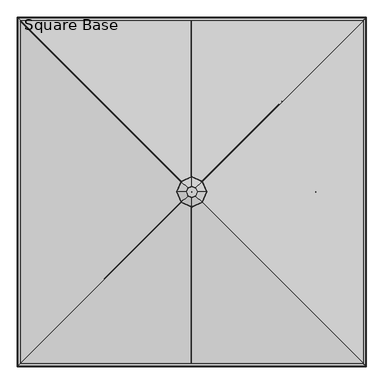
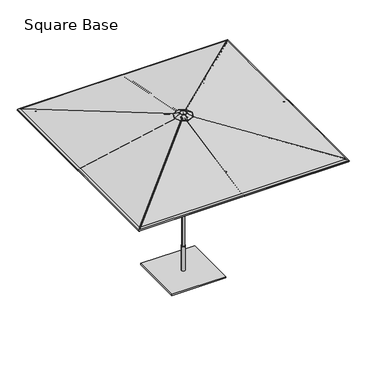
"""IFC4 building model written with IfcOpenShell, lengths in millimetres: furniture geometry, Square Base."""

from ifc_helpers import new_model, si_unit, point, frame, frame_2d, origin, origin_with_axes, place, context, project, spatial, polyline, circle_curve, ellipse_curve, trimmed, segment, composite_curve, outline, extrude, source, transform, mapped, element, save
from ifc_brep_helpers import plane_surface, cylinder_surface, revolved_surface, advanced_brep


def square_base_793ace13(model_context):
    return source(origin(), model_context, "Body", "SolidModel", [
        extrude(outline(composite_curve([segment(polyline([(12.9834408, -8.4804821), (12.9834408, -22.8946348)]), True, "CONTINUOUS"), segment(trimmed(circle_curve(frame_2d((4.0299408, -22.8946348)), 8.9535), [point((12.9834408, -22.8946348))], [point((-4.9235592, -22.8946348))], False, "CARTESIAN"), True, "CONTINUOUS"), segment(polyline([(-4.9235592, -22.8946348), (-4.9235592, -8.4804821)]), True, "CONTINUOUS"), segment(trimmed(circle_curve(frame_2d((4.0299408, -8.4804821)), 8.9535), [point((-4.9235592, -8.4804821))], [point((12.9834408, -8.4804821))], False, "CARTESIAN"), True, "CONTINUOUS")], self_intersect=False)), frame((4.0299408, -60.6243606, 2209.0717014), z_axis=(0.0, -0.968204069710927, 0.25016170649241765), x_axis=(-1.0, 0.0, 0.0)), (0.0, 0.0, 1.0), 1257.3),
        extrude(outline(composite_curve([segment(polyline([(12.9834408, -8.4804821), (12.9834408, -22.8946348)]), True, "CONTINUOUS"), segment(trimmed(circle_curve(frame_2d((4.0299408, -22.8946348)), 8.9535), [point((12.9834408, -22.8946348))], [point((-4.9235592, -22.8946348))], False, "CARTESIAN"), True, "CONTINUOUS"), segment(polyline([(-4.9235592, -22.8946348), (-4.9235592, -8.4804821)]), True, "CONTINUOUS"), segment(trimmed(circle_curve(frame_2d((4.0299408, -8.4804821)), 8.9535), [point((-4.9235592, -8.4804821))], [point((12.9834408, -8.4804821))], False, "CARTESIAN"), True, "CONTINUOUS")], self_intersect=False)), frame((-56.5944198, -8.0598816, 2209.0717014), z_axis=(-0.968204069710927, 0.0, 0.25016170649241765), x_axis=(0.0, 1.0, 0.0)), (0.0, 0.0, 1.0), 1257.3),
        extrude(outline(composite_curve([segment(polyline([(12.9834408, -8.4804821), (12.9834408, -22.8946348)]), True, "CONTINUOUS"), segment(trimmed(circle_curve(frame_2d((4.0299408, -22.8946348)), 8.9535), [point((12.9834408, -22.8946348))], [point((-4.9235592, -22.8946348))], False, "CARTESIAN"), True, "CONTINUOUS"), segment(polyline([(-4.9235592, -22.8946348), (-4.9235592, -8.4804821)]), True, "CONTINUOUS"), segment(trimmed(circle_curve(frame_2d((4.0299408, -8.4804821)), 8.9535), [point((-4.9235592, -8.4804821))], [point((12.9834408, -8.4804821))], False, "CARTESIAN"), True, "CONTINUOUS")], self_intersect=False)), frame((-4.0299408, 52.564479, 2209.0717014), z_axis=(0.0, 0.968204069710927, 0.25016170649241765), x_axis=(1.0, 0.0, 0.0)), (0.0, 0.0, 1.0), 1257.3),
        extrude(outline(composite_curve([segment(trimmed(circle_curve(frame_2d((4.0299408, 7.3267917)), 8.9535), [point((12.9834408, 7.3267917))], [point((-4.9235592, 7.3267917))], False, "CARTESIAN"), True, "CONTINUOUS"), segment(polyline([(-4.9235592, 7.3267917), (-4.9235592, 21.7411303)]), True, "CONTINUOUS"), segment(trimmed(circle_curve(frame_2d((4.0299408, 21.7411303)), 8.9535), [point((-4.9235592, 21.7411303))], [point((12.9834408, 21.7411303))], False, "CARTESIAN"), True, "CONTINUOUS"), segment(polyline([(12.9834408, 21.7411303), (12.9834408, 7.3267917)]), True, "CONTINUOUS")], self_intersect=False)), frame((4.0299408, -1742.7095287, 2428.4090401), z_axis=(0.0, 0.9801650338144994, 0.19818301261062068), x_axis=(-1.0, 0.0, 0.0)), (0.0, 0.0, 1.0), 1722.8259277),
        extrude(outline(composite_curve([segment(trimmed(circle_curve(frame_2d((4.0299408, 7.3267917)), 8.9535), [point((12.9834408, 7.3267917))], [point((-4.9235592, 7.3267917))], False, "CARTESIAN"), True, "CONTINUOUS"), segment(polyline([(-4.9235592, 7.3267917), (-4.9235592, 21.7411303)]), True, "CONTINUOUS"), segment(trimmed(circle_curve(frame_2d((4.0299408, 21.7411303)), 8.9535), [point((-4.9235592, 21.7411303))], [point((12.9834408, 21.7411303))], False, "CARTESIAN"), True, "CONTINUOUS"), segment(polyline([(12.9834408, 21.7411303), (12.9834408, 7.3267917)]), True, "CONTINUOUS")], self_intersect=False)), frame((-1738.6795879, -8.0598816, 2428.4090401), z_axis=(0.9801650338144994, 0.0, 0.19818301261062068), x_axis=(0.0, 1.0, 0.0)), (0.0, 0.0, 1.0), 1722.8259277),
        extrude(outline(composite_curve([segment(trimmed(circle_curve(frame_2d((4.0299408, 7.3267917)), 8.9535), [point((12.9834408, 7.3267917))], [point((-4.9235592, 7.3267917))], False, "CARTESIAN"), True, "CONTINUOUS"), segment(polyline([(-4.9235592, 7.3267917), (-4.9235592, 21.7411303)]), True, "CONTINUOUS"), segment(trimmed(circle_curve(frame_2d((4.0299408, 21.7411303)), 8.9535), [point((-4.9235592, 21.7411303))], [point((12.9834408, 21.7411303))], False, "CARTESIAN"), True, "CONTINUOUS"), segment(polyline([(12.9834408, 21.7411303), (12.9834408, 7.3267917)]), True, "CONTINUOUS")], self_intersect=False)), frame((-4.0299408, 1734.6496471, 2428.4090401), z_axis=(0.0, -0.9801650338144994, 0.19818301261062068), x_axis=(1.0, 0.0, 0.0)), (0.0, 0.0, 1.0), 1722.8259277),
        extrude(outline(composite_curve([segment(trimmed(circle_curve(frame_2d((4.0299408, 7.3267917)), 8.9535), [point((12.9834408, 7.3267917))], [point((-4.9235592, 7.3267917))], False, "CARTESIAN"), True, "CONTINUOUS"), segment(polyline([(-4.9235592, 7.3267917), (-4.9235592, 21.7411303)]), True, "CONTINUOUS"), segment(trimmed(circle_curve(frame_2d((4.0299408, 21.7411303)), 8.9535), [point((-4.9235592, 21.7411303))], [point((12.9834408, 21.7411303))], False, "CARTESIAN"), True, "CONTINUOUS"), segment(polyline([(12.9834408, 21.7411303), (12.9834408, 7.3267917)]), True, "CONTINUOUS")], self_intersect=False)), frame((1738.6795879, 0.0, 2428.4090401), z_axis=(-0.9801650338144994, 0.0, 0.19818301261062068), x_axis=(0.0, -1.0, 0.0)), (0.0, 0.0, 1.0), 1722.8259277),
        extrude(outline(composite_curve([segment(polyline([(12.9834408, -8.4804821), (12.9834408, -22.8946348)]), True, "CONTINUOUS"), segment(trimmed(circle_curve(frame_2d((4.0299408, -22.8946348)), 8.9535), [point((12.9834408, -22.8946348))], [point((-4.9235592, -22.8946348))], False, "CARTESIAN"), True, "CONTINUOUS"), segment(polyline([(-4.9235592, -22.8946348), (-4.9235592, -8.4804821)]), True, "CONTINUOUS"), segment(trimmed(circle_curve(frame_2d((4.0299408, -8.4804821)), 8.9535), [point((-4.9235592, -8.4804821))], [point((12.9834408, -8.4804821))], False, "CARTESIAN"), True, "CONTINUOUS")], self_intersect=False)), frame((56.5944198, 0.0, 2209.0717014), z_axis=(0.968204069710927, 0.0, 0.25016170649241765), x_axis=(0.0, -1.0, 0.0)), (0.0, 0.0, 1.0), 1257.3),
        extrude(outline(composite_curve([segment(trimmed(circle_curve(frame_2d((-0.4115858, 9.2017125)), 8.947892), [point((8.536306, 9.1998745))], [point((-9.3594776, 9.2035503))], False, "CARTESIAN"), True, "CONTINUOUS"), segment(polyline([(-9.3594776, 9.2035503), (-9.3566134, 23.146125)]), True, "CONTINUOUS"), segment(trimmed(circle_curve(frame_2d((-0.4087216, 23.146125)), 8.9478918), [point((-9.3566134, 23.146125))], [point((8.5391702, 23.1457573))], False, "CARTESIAN"), True, "CONTINUOUS"), segment(polyline([(8.5391702, 23.1457573), (8.536306, 9.1998745)]), True, "CONTINUOUS")], self_intersect=False)), frame((41.5244845, -45.5691916, 2208.4981899), z_axis=(0.6763612459995549, -0.6766017644142349, 0.2911108333632977), x_axis=(0.7072324735233075, 0.7069810665032722, 0.0)), (0.0, 0.0, 1.0), 1309.7575992),
        extrude(outline(composite_curve([segment(trimmed(circle_curve(frame_2d((-0.4115858, 9.2017125)), 8.947892), [point((8.536306, 9.1998747))], [point((-9.3594776, 9.2035505))], False, "CARTESIAN"), True, "CONTINUOUS"), segment(polyline([(-9.3594776, 9.2035505), (-9.356613, 23.146125)]), True, "CONTINUOUS"), segment(trimmed(circle_curve(frame_2d((-0.4087215, 23.146125)), 8.9478915), [point((-9.356613, 23.146125))], [point((8.5391699, 23.1457574))], False, "CARTESIAN"), True, "CONTINUOUS"), segment(polyline([(8.5391699, 23.1457574), (8.536306, 9.1998747)]), True, "CONTINUOUS")], self_intersect=False)), frame((-41.5392509, -45.5544253, 2208.4981899), z_axis=(-0.676601764414243, -0.6763612459995471, 0.2911108333632977), x_axis=(0.7069810665032639, -0.7072324735233159, 0.0)), (0.0, 0.0, 1.0), 1309.7575992),
        extrude(outline(composite_curve([segment(trimmed(circle_curve(frame_2d((-0.4115857, 9.2017125)), 8.947892), [point((8.536306, 9.1998747))], [point((-9.3594776, 9.2035505))], False, "CARTESIAN"), True, "CONTINUOUS"), segment(polyline([(-9.3594776, 9.2035505), (-9.356613, 23.146125)]), True, "CONTINUOUS"), segment(trimmed(circle_curve(frame_2d((-0.4087216, 23.146125)), 8.9478915), [point((-9.356613, 23.146125))], [point((8.5391699, 23.1457573))], False, "CARTESIAN"), True, "CONTINUOUS"), segment(polyline([(8.5391699, 23.1457573), (8.536306, 9.1998747)]), True, "CONTINUOUS")], self_intersect=False)), frame((-41.5244845, 37.5093101, 2208.4981899), z_axis=(-0.6763612459995527, 0.6766017644142374, 0.29111083336329774), x_axis=(-0.70723247352331, -0.7069810665032698, 0.0)), (0.0, 0.0, 1.0), 1309.7575992),
        extrude(outline(composite_curve([segment(trimmed(circle_curve(frame_2d((-0.4115857, 9.2017125)), 8.947892), [point((8.536306, 9.1998747))], [point((-9.3594776, 9.2035505))], False, "CARTESIAN"), True, "CONTINUOUS"), segment(polyline([(-9.3594776, 9.2035505), (-9.356613, 23.146125)]), True, "CONTINUOUS"), segment(trimmed(circle_curve(frame_2d((-0.4087215, 23.146125)), 8.9478915), [point((-9.356613, 23.146125))], [point((8.5391699, 23.1457573))], False, "CARTESIAN"), True, "CONTINUOUS"), segment(polyline([(8.5391699, 23.1457573), (8.536306, 9.1998747)]), True, "CONTINUOUS")], self_intersect=False)), frame((41.5392509, 37.4945437, 2208.4981899), z_axis=(0.6766017644142318, 0.676361245999558, 0.2911108333632976), x_axis=(-0.7069810665032754, 0.7072324735233043, 0.0)), (0.0, 0.0, 1.0), 1309.7575992),
        extrude(outline(composite_curve([segment(trimmed(circle_curve(frame_2d((0.0454336, -8.9661607)), 8.9535016), [point((-8.9080678, -8.9644052))], [point((8.9989351, -8.9679162))], False, "CARTESIAN"), True, "CONTINUOUS"), segment(polyline([(8.9989351, -8.9679162), (8.9961217, -23.3170803)]), True, "CONTINUOUS"), segment(trimmed(circle_curve(frame_2d((0.0426202, -23.3153248)), 8.9535016), [point((8.9961217, -23.3170803))], [point((-8.9108812, -23.3135694))], False, "CARTESIAN"), True, "CONTINUOUS"), segment(polyline([(-8.9108812, -23.3135694), (-8.9080678, -8.9644052)]), True, "CONTINUOUS")], self_intersect=False)), frame((1743.1904793, -1747.603189, 2425.0035693), z_axis=(-0.700059246017185, 0.7000592460172453, 0.14083360441178988), x_axis=(0.707106781186578, 0.7071067811865172, 0.0)), (0.0, 0.0, 1.0), 2439.7329293),
        extrude(outline(composite_curve([segment(trimmed(circle_curve(frame_2d((0.0454336, -8.9661607)), 8.9535016), [point((-8.9080678, -8.9644052))], [point((8.9989351, -8.9679162))], False, "CARTESIAN"), True, "CONTINUOUS"), segment(polyline([(8.9989351, -8.9679162), (8.9961217, -23.3170803)]), True, "CONTINUOUS"), segment(trimmed(circle_curve(frame_2d((0.0426202, -23.3153248)), 8.9535016), [point((8.9961217, -23.3170803))], [point((-8.9108812, -23.3135694))], False, "CARTESIAN"), True, "CONTINUOUS"), segment(polyline([(-8.9108812, -23.3135694), (-8.9080678, -8.9644052)]), True, "CONTINUOUS")], self_intersect=False)), frame((-1743.5732482, -1747.2204201, 2425.0035693), z_axis=(0.7000592460172536, 0.700059246017177, 0.1408336044117898), x_axis=(0.7071067811865089, -0.7071067811865863, 0.0)), (0.0, 0.0, 1.0), 2439.7329293),
        extrude(outline(composite_curve([segment(trimmed(circle_curve(frame_2d((0.0454336, -8.9661607)), 8.9535016), [point((-8.9080679, -8.9644052))], [point((8.9989351, -8.9679162))], False, "CARTESIAN"), True, "CONTINUOUS"), segment(polyline([(8.9989351, -8.9679162), (8.9961217, -23.3170803)]), True, "CONTINUOUS"), segment(trimmed(circle_curve(frame_2d((0.0426202, -23.3153248)), 8.9535016), [point((8.9961217, -23.3170803))], [point((-8.9108812, -23.3135694))], False, "CARTESIAN"), True, "CONTINUOUS"), segment(polyline([(-8.9108812, -23.3135694), (-8.9080679, -8.9644052)]), True, "CONTINUOUS")], self_intersect=False)), frame((-1743.1904793, 1739.5433074, 2425.0035693), z_axis=(0.7000592460171826, -0.7000592460172478, 0.1408336044117898), x_axis=(-0.7071067811865804, -0.7071067811865146, 0.0)), (0.0, 0.0, 1.0), 2439.7329293),
        extrude(outline(composite_curve([segment(trimmed(circle_curve(frame_2d((0.0454336, -8.9661607)), 8.9535016), [point((-8.9080678, -8.9644052))], [point((8.9989351, -8.9679162))], False, "CARTESIAN"), True, "CONTINUOUS"), segment(polyline([(8.9989351, -8.9679162), (8.9961217, -23.3170803)]), True, "CONTINUOUS"), segment(trimmed(circle_curve(frame_2d((0.0426202, -23.3153248)), 8.9535016), [point((8.9961217, -23.3170803))], [point((-8.9108812, -23.3135694))], False, "CARTESIAN"), True, "CONTINUOUS"), segment(polyline([(-8.9108812, -23.3135694), (-8.9080678, -8.9644052)]), True, "CONTINUOUS")], self_intersect=False)), frame((1743.5732482, 1739.1605385, 2425.0035693), z_axis=(-0.7000592460172421, -0.7000592460171882, 0.14083360441178977), x_axis=(-0.7071067811865203, 0.7071067811865748, 0.0)), (0.0, 0.0, 1.0), 2439.7329293),
        advanced_brep(
        [(-40.359119, -4.0299408, 2769.6161201), (40.359119, -4.0299408, 2769.6161201), (40.359119, -4.0299408, 2232.7130663), (-40.359119, -4.0299408, 2232.7130663), (0.0, -4.0299408, 2769.6161201), (0.0, -4.0299408, 2232.7130663)],
        [
            (0, 1, circle_curve(frame((0.0, -4.0299408, 2769.6161201), z_axis=(0.0, 0.0, -1.0), x_axis=(1.0, 0.0, 0.0)), 40.359119)),
            (1, 2),
            (2, 3, circle_curve(frame((0.0, -4.0299408, 2232.7130663), z_axis=(0.0, 0.0, 1.0), x_axis=(1.0, 0.0, 0.0)), 40.359119)),
            (3, 0),
            (1, 0, circle_curve(frame((0.0, -4.0299408, 2769.6161201), z_axis=(0.0, 0.0, -1.0), x_axis=(1.0, 0.0, 0.0)), 40.359119)),
            (3, 2, circle_curve(frame((0.0, -4.0299408, 2232.7130663), z_axis=(0.0, 0.0, 1.0), x_axis=(1.0, 0.0, 0.0)), 40.359119)),
            (4, 1),
            (0, 4),
            (2, 5),
            (5, 3),
        ],
        [
            cylinder_surface(frame((0.0, -4.0299408, 2607.6909748), z_axis=(0.0, 0.0, 1.0), x_axis=(1.0, 0.0, 0.0)), 40.359119),
            plane_surface(frame((0.0, -4.0299408, 2769.6161201), z_axis=(0.0, 0.0, 1.0), x_axis=(1.0, 0.0, 0.0))),
            plane_surface(frame((0.0, -4.0299408, 2232.7130663), z_axis=(0.0, 0.0, -1.0), x_axis=(1.0, 0.0, 0.0))),
        ],
        [
            (0, [[1, 2, 3, 4]]),
            (0, [[5, -4, 6, -2]]),
            (1, [[7, -1, 8]]),
            (1, [[-8, -5, -7]]),
            (2, [[-3, 9, 10]]),
            (2, [[-6, -10, -9]]),
        ],
    ),
        advanced_brep(
        [(-58.7349315, -4.0299408, 2208.4981899), (58.7349315, -4.0299408, 2208.4981899), (51.3054317, -4.0299408, 2190.75), (-51.3054317, -4.0299408, 2190.75), (-58.7349315, -4.0299408, 2233.8982384), (58.7349315, -4.0299408, 2233.8982384), (0.0, -4.0299408, 2233.8982384), (-50.392282, -4.0299408, 2063.7500484), (50.392282, -4.0299408, 2063.7500484), (0.0, -4.0299408, 2063.7500484), (-58.2510683, -4.0299408, 2070.0999516), (58.2510683, -4.0299408, 2070.0999516), (-44.8554107, -4.0299408, 2190.75), (44.8554107, -4.0299408, 2190.75)],
        [
            (0, 1, circle_curve(frame((0.0, -4.0299408, 2208.4981899), z_axis=(0.0, 0.0, -1.0), x_axis=(1.0, 0.0, 0.0)), 58.7349315)),
            (1, 2, circle_curve(frame((43.6558497, -4.0299408, 2204.3812731), z_axis=(0.0, 1.0, 0.0), x_axis=(1.0, 0.0, 0.0)), 15.6309856)),
            (2, 3, circle_curve(frame((0.0, -4.0299408, 2190.75), z_axis=(0.0, 0.0, 1.0), x_axis=(1.0, 0.0, 0.0)), 51.3054317)),
            (3, 0, circle_curve(frame((-43.6558497, -4.0299408, 2204.3812731), z_axis=(0.0, 1.0, 0.0), x_axis=(-1.0, 0.0, 0.0)), 15.6309856)),
            (1, 0, circle_curve(frame((0.0, -4.0299408, 2208.4981899), z_axis=(0.0, 0.0, -1.0), x_axis=(1.0, 0.0, 0.0)), 58.7349315)),
            (3, 2, circle_curve(frame((0.0, -4.0299408, 2190.75), z_axis=(0.0, 0.0, 1.0), x_axis=(1.0, 0.0, 0.0)), 51.3054317)),
            (4, 5, circle_curve(frame((0.0, -4.0299408, 2233.8982384), z_axis=(0.0, 0.0, -1.0), x_axis=(1.0, 0.0, 0.0)), 58.7349315)),
            (5, 1, circle_curve(frame((52.8666055, -4.0299408, 2221.1982141), z_axis=(0.0, 1.0, 0.0), x_axis=(1.0, 0.0, 0.0)), 13.9902775)),
            (0, 4, circle_curve(frame((-52.8666055, -4.0299408, 2221.1982141), z_axis=(0.0, 1.0, 0.0), x_axis=(-1.0, 0.0, 0.0)), 13.9902775)),
            (5, 4, circle_curve(frame((0.0, -4.0299408, 2233.8982384), z_axis=(0.0, 0.0, -1.0), x_axis=(1.0, 0.0, 0.0)), 58.7349315)),
            (6, 5),
            (4, 6),
            (7, 8, circle_curve(frame((0.0, -4.0299408, 2063.7500484), z_axis=(0.0, 0.0, -1.0), x_axis=(1.0, 0.0, 0.0)), 50.392282)),
            (8, 9),
            (9, 7),
            (8, 7, circle_curve(frame((0.0, -4.0299408, 2063.7500484), z_axis=(0.0, 0.0, -1.0), x_axis=(1.0, 0.0, 0.0)), 50.392282)),
            (10, 11, circle_curve(frame((0.0, -4.0299408, 2070.0999516), z_axis=(0.0, 0.0, -1.0), x_axis=(1.0, 0.0, 0.0)), 58.2510683)),
            (11, 8),
            (7, 10),
            (11, 10, circle_curve(frame((0.0, -4.0299408, 2070.0999516), z_axis=(0.0, 0.0, -1.0), x_axis=(1.0, 0.0, 0.0)), 58.2510683)),
            (12, 13, circle_curve(frame((0.0, -4.0299408, 2190.75), z_axis=(0.0, 0.0, -1.0), x_axis=(1.0, 0.0, 0.0)), 44.8554107)),
            (13, 11),
            (10, 12),
            (13, 12, circle_curve(frame((0.0, -4.0299408, 2190.75), z_axis=(0.0, 0.0, -1.0), x_axis=(1.0, 0.0, 0.0)), 44.8554107)),
            (2, 13),
            (12, 3),
        ],
        [
            revolved_surface(trimmed(ellipse_curve(frame((43.6558497, -4.0299408, 2204.3812731), z_axis=(0.0, -1.0, 0.0), x_axis=(1.0, 0.0, 0.0)), 15.6309856, 15.6309856), [point((51.3054317, -4.0299408, 2190.75))], [point((58.7349315, -4.0299408, 2208.4981899))], True, "CARTESIAN"), (0.0, -4.0299408, 2404.1943844), (0.0, 0.0, 1.0)),
            revolved_surface(trimmed(ellipse_curve(frame((52.8666055, -4.0299408, 2221.1982141), z_axis=(0.0, -1.0, 0.0), x_axis=(1.0, 0.0, 0.0)), 13.9902775, 13.9902775), [point((58.7349315, -4.0299408, 2208.4981899))], [point((58.7349315, -4.0299408, 2233.8982384))], True, "CARTESIAN"), (0.0, -4.0299408, 2404.1943844), (0.0, 0.0, 1.0)),
            plane_surface(frame((0.0, -4.0299408, 2233.8982384), z_axis=(0.0, 0.0, 1.0), x_axis=(1.0, 0.0, 0.0))),
            plane_surface(frame((0.0, -4.0299408, 2063.7500484), z_axis=(0.0, 0.0, -1.0), x_axis=(1.0, 0.0, 0.0))),
            revolved_surface(polyline([(50.392282, -4.0299408, 2063.7500484), (58.2510683, -4.0299408, 2070.0999516)]), (0.0, -4.0299408, 2404.1943844), (0.0, 0.0, 1.0)),
            revolved_surface(polyline([(58.2510683, -4.0299408, 2070.0999516), (44.8554107, -4.0299408, 2190.75)]), (0.0, -4.0299408, 2404.1943844), (0.0, 0.0, 1.0)),
            plane_surface(frame((0.0, -4.0299408, 2190.75), z_axis=(0.0, 0.0, -1.0), x_axis=(1.0, 0.0, 0.0))),
        ],
        [
            (0, [[1, 2, 3, 4]]),
            (0, [[5, -4, 6, -2]]),
            (1, [[7, 8, -1, 9]]),
            (1, [[10, -9, -5, -8]]),
            (2, [[11, -7, 12]]),
            (2, [[-12, -10, -11]]),
            (3, [[13, 14, 15]]),
            (3, [[16, -15, -14]]),
            (4, [[17, 18, -13, 19]]),
            (4, [[20, -19, -16, -18]]),
            (5, [[21, 22, -17, 23]]),
            (5, [[24, -23, -20, -22]]),
            (6, [[-3, 25, -21, 26]]),
            (6, [[-6, -26, -24, -25]]),
        ],
    ),
        advanced_brep(
        [(-85.0763354, -4.0299408, 2768.6), (85.0763354, -4.0299408, 2768.6), (0.0, -4.0299408, 2768.6), (-85.0763354, -4.0299408, 2794.0), (85.0763354, -4.0299408, 2794.0), (0.0, -4.0299408, 2794.0)],
        [
            (0, 1, circle_curve(frame((0.0, -4.0299408, 2768.6), z_axis=(0.0, 0.0, -1.0), x_axis=(1.0, 0.0, 0.0)), 85.0763354)),
            (1, 2),
            (2, 0),
            (1, 0, circle_curve(frame((0.0, -4.0299408, 2768.6), z_axis=(0.0, 0.0, -1.0), x_axis=(1.0, 0.0, 0.0)), 85.0763354)),
            (3, 4, circle_curve(frame((0.0, -4.0299408, 2794.0), z_axis=(0.0, 0.0, -1.0), x_axis=(1.0, 0.0, 0.0)), 85.0763354)),
            (4, 1, circle_curve(frame((85.0763354, -4.0299408, 2781.3), z_axis=(0.0, 1.0, 0.0), x_axis=(1.0, 0.0, 0.0)), 12.7)),
            (0, 3, circle_curve(frame((-85.0763354, -4.0299408, 2781.3), z_axis=(0.0, 1.0, 0.0), x_axis=(-1.0, 0.0, 0.0)), 12.7)),
            (4, 3, circle_curve(frame((0.0, -4.0299408, 2794.0), z_axis=(0.0, 0.0, -1.0), x_axis=(1.0, 0.0, 0.0)), 85.0763354)),
            (5, 4),
            (3, 5),
        ],
        [
            plane_surface(frame((0.0, -4.0299408, 2768.6), z_axis=(0.0, 0.0, -1.0), x_axis=(1.0, 0.0, 0.0))),
            revolved_surface(trimmed(ellipse_curve(frame((85.0763354, -4.0299408, 2781.3), z_axis=(0.0, -1.0, 0.0), x_axis=(1.0, 0.0, 0.0)), 12.7, 12.7), [point((85.0763354, -4.0299408, 2768.6))], [point((85.0763354, -4.0299408, 2794.0))], True, "CARTESIAN"), (0.0, -4.0299408, 2876.5500484), (0.0, 0.0, 1.0)),
            plane_surface(frame((0.0, -4.0299408, 2794.0), z_axis=(0.0, 0.0, 1.0), x_axis=(1.0, 0.0, 0.0))),
        ],
        [
            (0, [[1, 2, 3]]),
            (0, [[4, -3, -2]]),
            (1, [[5, 6, -1, 7]]),
            (1, [[8, -7, -4, -6]]),
            (2, [[9, -5, 10]]),
            (2, [[-10, -8, -9]]),
        ],
    ),
        advanced_brep(
        [(53.2167733, -4.0299408, 2843.4799255), (37.1284214, 33.0984806, 2843.4799255), (0.0, 49.1868325, 2843.4799255), (-37.1284214, 33.0984806, 2843.4799255), (-53.2167733, -4.0299408, 2843.4799255), (-37.1284214, -41.1583622, 2843.4799255), (0.0, -57.2467141, 2843.4799255), (37.1284214, -41.1583622, 2843.4799255), (-0.2799193, -3.7500215, 2843.4799255), (0.0, -3.6287279, 2843.4799255), (0.2799193, -3.7500215, 2843.4799255), (0.4012128, -4.0299408, 2843.4799255), (0.2799193, -4.30986, 2843.4799255), (0.0, -4.4311536, 2843.4799255), (-0.2799193, -4.30986, 2843.4799255), (-0.4012128, -4.0299408, 2843.4799255), (-19.7877165, 15.7577757, 2828.9716869), (0.0, 24.3321167, 2828.9716869), (19.7877165, 15.7577757, 2828.9716869), (28.3620575, -4.0299408, 2828.9716869), (19.7877165, -23.8176572, 2828.9716869), (0.0, -32.3919982, 2828.9716869), (-19.7877165, -23.8176572, 2828.9716869), (-28.3620575, -4.0299408, 2828.9716869), (0.4012128, -4.0299408, 2828.9716869), (0.2799193, -3.7500215, 2828.9716869), (0.0, -3.6287279, 2828.9716869), (-0.2799193, -3.7500215, 2828.9716869), (-0.4012128, -4.0299408, 2828.9716869), (-0.2799193, -4.30986, 2828.9716869), (0.0, -4.4311536, 2828.9716869), (0.2799193, -4.30986, 2828.9716869), (-105.9299769, 101.9000361, 2796.4187712), (-151.8311674, -4.0299408, 2796.4187712), (-106.6960997, 102.6661589, 2798.9948487), (-152.9292638, -4.0299408, 2798.9948487), (-41.466138, 37.4361973, 2842.1265361), (-59.4340935, -4.0299408, 2842.1265361), (-105.9299769, -109.9599176, 2796.4187712), (-106.6960997, -110.7260405, 2798.9948487), (-41.466138, -45.4960788, 2842.1265361), (0.0, -155.8611082, 2796.4187712), (0.0, -156.9592046, 2798.9948487), (0.0, -63.4640343, 2842.1265361), (105.9299769, -109.9599176, 2796.4187712), (106.6960997, -110.7260405, 2798.9948487), (41.466138, -45.4960788, 2842.1265361), (151.8311674, -4.0299408, 2796.4187712), (152.9292638, -4.0299408, 2798.9948487), (59.4340935, -4.0299408, 2842.1265361), (105.9299769, 101.9000361, 2796.4187712), (106.6960997, 102.6661589, 2798.9948487), (41.466138, 37.4361973, 2842.1265361), (0.0, 147.8012266, 2796.4187712), (0.0, 148.899323, 2798.9948487), (0.0, 55.4041527, 2842.1265361)],
        [
            (0, 1),
            (1, 2),
            (2, 3),
            (3, 4),
            (4, 5),
            (5, 6),
            (6, 7),
            (7, 0),
            (8, 9),
            (9, 10),
            (10, 11),
            (11, 12),
            (12, 13),
            (13, 14),
            (14, 15),
            (15, 8),
            (16, 17),
            (17, 18),
            (18, 19),
            (19, 20),
            (20, 21),
            (21, 22),
            (22, 23),
            (23, 16),
            (24, 25),
            (25, 26),
            (26, 27),
            (27, 28),
            (28, 29),
            (29, 30),
            (30, 31),
            (31, 24),
            (27, 8),
            (15, 28),
            (14, 29),
            (13, 30),
            (12, 31),
            (11, 24),
            (10, 25),
            (9, 26),
            (32, 16),
            (23, 33),
            (33, 32),
            (34, 32, ellipse_curve(frame((-106.221662, 102.1917212, 2797.7538132), z_axis=(-0.7071067811865479, -0.707106781186547, 0.0), x_axis=(-0.7071067811865467, 0.7071067811865482, 0.0)), 1.4936871, 1.3890625)),
            (33, 35, ellipse_curve(frame((-152.2492444, -4.0299408, 2797.7538132), z_axis=(0.0, 0.9999999999999999, 0.0), x_axis=(1.0, 0.0, 0.0)), 1.5138634, 1.3890625)),
            (35, 34),
            (36, 34),
            (35, 37),
            (37, 36),
            (3, 36, ellipse_curve(frame((-37.1284214, 33.0984806, 2830.7799255), z_axis=(-0.7071067811865479, -0.707106781186547, 0.0), x_axis=(-0.7071067811865467, 0.7071067811865482, 0.0)), 13.656568, 12.7)),
            (37, 4, ellipse_curve(frame((-53.2167733, -4.0299408, 2830.7799255), z_axis=(0.0, 0.9999999999999999, 0.0), x_axis=(1.0, 0.0, 0.0)), 13.8410369, 12.7)),
            (22, 38),
            (38, 33),
            (38, 39, ellipse_curve(frame((-106.221662, -110.2516027, 2797.7538132), z_axis=(-0.707106781186547, 0.707106781186548, 0.0), x_axis=(0.7071067811865479, 0.707106781186547, 0.0)), 1.4936871, 1.3890625)),
            (39, 35),
            (39, 40),
            (40, 37),
            (40, 5, ellipse_curve(frame((-37.1284214, -41.1583622, 2830.7799255), z_axis=(-0.707106781186547, 0.707106781186548, 0.0), x_axis=(0.7071067811865479, 0.707106781186547, 0.0)), 13.656568, 12.7)),
            (21, 41),
            (41, 38),
            (41, 42, ellipse_curve(frame((0.0, -156.2791852, 2797.7538132), z_axis=(-0.9999999999999999, 0.0, 0.0), x_axis=(0.0, 1.0, 0.0)), 1.5138634, 1.3890625)),
            (42, 39),
            (42, 43),
            (43, 40),
            (43, 6, ellipse_curve(frame((0.0, -57.2467141, 2830.7799255), z_axis=(-0.9999999999999999, 0.0, 0.0), x_axis=(0.0, 1.0, 0.0)), 13.8410369, 12.7)),
            (20, 44),
            (44, 41),
            (44, 45, ellipse_curve(frame((106.221662, -110.2516027, 2797.7538132), z_axis=(-0.707106781186548, -0.707106781186547, 0.0), x_axis=(-0.7071067811865469, 0.7071067811865481, 0.0)), 1.4936871, 1.3890625)),
            (45, 42),
            (45, 46),
            (46, 43),
            (46, 7, ellipse_curve(frame((37.1284214, -41.1583622, 2830.7799255), z_axis=(-0.707106781186548, -0.707106781186547, 0.0), x_axis=(-0.7071067811865469, 0.7071067811865481, 0.0)), 13.656568, 12.7)),
            (19, 47),
            (47, 44),
            (47, 48, ellipse_curve(frame((152.2492444, -4.0299408, 2797.7538132), z_axis=(0.0, -1.0, 0.0), x_axis=(-1.0, 0.0, 0.0)), 1.5138634, 1.3890625)),
            (48, 45),
            (48, 49),
            (49, 46),
            (49, 0, ellipse_curve(frame((53.2167733, -4.0299408, 2830.7799255), z_axis=(0.0, -1.0, 0.0), x_axis=(-1.0, 0.0, 0.0)), 13.8410369, 12.7)),
            (18, 50),
            (50, 47),
            (50, 51, ellipse_curve(frame((106.221662, 102.1917212, 2797.7538132), z_axis=(0.707106781186547, -0.707106781186548, 0.0), x_axis=(-0.7071067811865478, -0.7071067811865471, 0.0)), 1.4936871, 1.3890625)),
            (51, 48),
            (51, 52),
            (52, 49),
            (52, 1, ellipse_curve(frame((37.1284214, 33.0984806, 2830.7799255), z_axis=(0.707106781186547, -0.707106781186548, 0.0), x_axis=(-0.7071067811865478, -0.7071067811865471, 0.0)), 13.656568, 12.7)),
            (17, 53),
            (53, 50),
            (53, 54, ellipse_curve(frame((0.0, 148.2193037, 2797.7538132), z_axis=(0.9999999999999999, 0.0, 0.0), x_axis=(0.0, -1.0, 0.0)), 1.5138634, 1.3890625)),
            (54, 51),
            (54, 55),
            (55, 52),
            (55, 2, ellipse_curve(frame((0.0, 49.1868325, 2830.7799255), z_axis=(0.9999999999999999, 0.0, 0.0), x_axis=(0.0, -1.0, 0.0)), 13.8410369, 12.7)),
            (32, 53),
            (34, 54),
            (36, 55),
        ],
        [
            plane_surface(frame((0.0, 49.1868325, 2843.4799255), z_axis=(0.0, 0.0, 1.0), x_axis=(-0.9175613115760063, -0.3975943152246007, 0.0))),
            plane_surface(frame((0.0, -3.6287279, 2828.9716869), z_axis=(0.0, 0.0, -1.0000000000000002), x_axis=(-0.9175613115759947, -0.39759431522462746, 0.0))),
            plane_surface(frame((-0.2799193, -3.7500215, 2843.4799255), z_axis=(0.9175613115760348, -0.397594315224535, 0.0), x_axis=(-0.397594315224535, -0.9175613115760348, 0.0))),
            plane_surface(frame((-0.4012128, -4.0299408, 2843.4799255), z_axis=(0.9175613115760161, 0.3975943152245781, 0.0), x_axis=(0.3975943152245781, -0.9175613115760161, 0.0))),
            plane_surface(frame((-0.2799193, -4.30986, 2843.4799255), z_axis=(0.39759431522454197, 0.9175613115760317, 0.0), x_axis=(0.9175613115760317, -0.39759431522454197, 0.0))),
            plane_surface(frame((0.0, -4.4311536, 2843.4799255), z_axis=(-0.3975943152245726, 0.9175613115760184, 0.0), x_axis=(0.9175613115760184, 0.3975943152245726, 0.0))),
            plane_surface(frame((0.2799193, -4.30986, 2843.4799255), z_axis=(-0.9175613115759994, 0.39759431522461663, 0.0), x_axis=(0.39759431522461663, 0.9175613115759994, 0.0))),
            plane_surface(frame((0.4012128, -4.0299408, 2843.4799255), z_axis=(-0.91756131157602, -0.3975943152245694, 0.0), x_axis=(-0.3975943152245694, 0.91756131157602, 0.0))),
            plane_surface(frame((0.2799193, -3.7500215, 2843.4799255), z_axis=(-0.3975943152246114, -0.9175613115760016, 0.0), x_axis=(-0.9175613115760016, 0.3975943152246114, 0.0))),
            plane_surface(frame((0.0, -3.6287279, 2843.4799255), z_axis=(0.39759431522460253, -0.9175613115760055, 0.0), x_axis=(-0.9175613115760055, -0.39759431522460253, 0.0))),
            plane_surface(frame((-19.7877165, 15.7577757, 2828.9716869), z_axis=(0.25339888552783735, -0.10980187928485084, -0.9611100624375781), x_axis=(-0.39759431522460265, -0.9175613115760055, 0.0))),
            cylinder_surface(frame((-106.1406058, 102.3787813, 2797.7538132), z_axis=(0.3975943152246023, 0.9175613115760056, 0.0), x_axis=(0.9175613115760056, -0.3975943152246023, 0.0)), 1.3890625),
            plane_surface(frame((-106.6960997, 102.6661589, 2798.9948487), z_axis=(-0.4121636618055376, 0.1785972520948631, 0.8934339021053628), x_axis=(-0.3975943152246023, -0.9175613115760056, 0.0))),
            cylinder_surface(frame((-22.7633104, 66.2500363, 2830.7799255), z_axis=(0.3975943152246023, 0.9175613115760056, 0.0), x_axis=(0.9175613115760056, -0.3975943152246023, 0.0)), 12.7),
            plane_surface(frame((-28.3620575, -4.0299408, 2828.9716869), z_axis=(0.25339888552783774, 0.1098018792848499, -0.9611100624375779), x_axis=(0.39759431522459926, -0.9175613115760068, 0.0))),
            cylinder_surface(frame((-152.3380812, -3.8249249, 2797.7538132), z_axis=(-0.39759431522459965, 0.9175613115760068, 0.0), x_axis=(0.9175613115760068, 0.39759431522459965, 0.0)), 1.3890625),
            plane_surface(frame((-152.9292638, -4.0299408, 2798.9948487), z_axis=(-0.41216366180553804, -0.17859725209486188, 0.8934339021053624), x_axis=(0.39759431522459965, -0.9175613115760067, 0.0))),
            cylinder_surface(frame((-68.9607858, 32.3038202, 2830.7799255), z_axis=(-0.39759431522459965, 0.9175613115760068, 0.0), x_axis=(0.9175613115760068, 0.39759431522459965, 0.0)), 12.7),
            plane_surface(frame((-19.7877165, -23.8176572, 2828.9716869), z_axis=(0.10980187928485022, 0.2533988855278375, -0.9611100624375781), x_axis=(0.9175613115760065, -0.39759431522460054, 0.0))),
            cylinder_surface(frame((-106.4087221, -110.1705465, 2797.7538132), z_axis=(-0.9175613115760063, 0.3975943152246009, 0.0), x_axis=(0.3975943152246009, 0.9175613115760063, 0.0)), 1.3890625),
            plane_surface(frame((-106.6960997, -110.7260405, 2798.9948487), z_axis=(-0.17859725209486255, -0.4121636618055377, 0.8934339021053628), x_axis=(0.9175613115760062, -0.39759431522460115, 0.0))),
            cylinder_surface(frame((-70.2799771, -26.7932512, 2830.7799255), z_axis=(-0.9175613115760063, 0.3975943152246009, 0.0), x_axis=(0.3975943152246009, 0.9175613115760063, 0.0)), 12.7),
            plane_surface(frame((0.0, -32.3919982, 2828.9716869), z_axis=(-0.10980187928485018, 0.2533988855278376, -0.9611100624375781), x_axis=(0.9175613115760065, 0.39759431522460026, 0.0))),
            cylinder_surface(frame((-0.2050159, -156.368022, 2797.7538132), z_axis=(-0.9175613115760062, -0.3975943152246011, 0.0), x_axis=(-0.3975943152246011, 0.9175613115760062, 0.0)), 1.3890625),
            plane_surface(frame((0.0, -156.9592046, 2798.9948487), z_axis=(0.1785972520948624, -0.4121636618055376, 0.8934339021053627), x_axis=(0.9175613115760062, 0.397594315224601, 0.0))),
            cylinder_surface(frame((-36.3337609, -72.9907266, 2830.7799255), z_axis=(-0.9175613115760062, -0.3975943152246011, 0.0), x_axis=(-0.3975943152246011, 0.9175613115760062, 0.0)), 12.7),
            plane_surface(frame((19.7877165, -23.8176572, 2828.9716869), z_axis=(-0.2533988855278374, 0.10980187928485075, -0.9611100624375781), x_axis=(0.3975943152246023, 0.9175613115760056, 0.0))),
            cylinder_surface(frame((106.1406058, -110.4386628, 2797.7538132), z_axis=(-0.3975943152246023, -0.9175613115760057, 0.0), x_axis=(-0.9175613115760057, 0.3975943152246023, 0.0)), 1.3890625),
            plane_surface(frame((106.6960997, -110.7260405, 2798.9948487), z_axis=(0.4121636618055374, -0.17859725209486313, 0.8934339021053627), x_axis=(0.39759431522460253, 0.9175613115760055, 0.0))),
            cylinder_surface(frame((22.7633104, -74.3099178, 2830.7799255), z_axis=(-0.3975943152246023, -0.9175613115760057, 0.0), x_axis=(-0.9175613115760057, 0.3975943152246023, 0.0)), 12.7),
            plane_surface(frame((28.3620575, -4.0299408, 2828.9716869), z_axis=(-0.2533988855278377, -0.1098018792848499, -0.961110062437578), x_axis=(-0.3975943152245993, 0.9175613115760068, 0.0))),
            cylinder_surface(frame((152.3380812, -4.2349567, 2797.7538132), z_axis=(0.39759431522459965, -0.9175613115760066, 0.0), x_axis=(-0.9175613115760066, -0.39759431522459965, 0.0)), 1.3890625),
            plane_surface(frame((152.9292638, -4.0299408, 2798.9948487), z_axis=(0.4121636618055379, 0.1785972520948618, 0.8934339021053627), x_axis=(-0.3975943152245996, 0.9175613115760067, 0.0))),
            cylinder_surface(frame((68.9607858, -40.3637017, 2830.7799255), z_axis=(0.39759431522459965, -0.9175613115760066, 0.0), x_axis=(-0.9175613115760066, -0.39759431522459965, 0.0)), 12.7),
            plane_surface(frame((19.7877165, 15.7577757, 2828.9716869), z_axis=(-0.10980187928485009, -0.2533988855278375, -0.961110062437578), x_axis=(-0.9175613115760065, 0.3975943152246001, 0.0))),
            cylinder_surface(frame((106.4087221, 102.110665, 2797.7538132), z_axis=(0.9175613115760062, -0.3975943152246008, 0.0), x_axis=(-0.3975943152246008, -0.9175613115760062, 0.0)), 1.3890625),
            plane_surface(frame((106.6960997, 102.6661589, 2798.9948487), z_axis=(0.17859725209486232, 0.41216366180553754, 0.8934339021053628), x_axis=(-0.9175613115760062, 0.39759431522460087, 0.0))),
            cylinder_surface(frame((70.2799771, 18.7333696, 2830.7799255), z_axis=(0.9175613115760062, -0.3975943152246008, 0.0), x_axis=(-0.3975943152246008, -0.9175613115760062, 0.0)), 12.7),
            plane_surface(frame((0.0, 24.3321167, 2828.9716869), z_axis=(0.1098018792848503, -0.25339888552783746, -0.961110062437578), x_axis=(-0.9175613115760063, -0.39759431522460087, 0.0))),
            cylinder_surface(frame((0.2050159, 148.3081404, 2797.7538132), z_axis=(0.9175613115760061, 0.39759431522460115, 0.0), x_axis=(0.39759431522460115, -0.9175613115760061, 0.0)), 1.3890625),
            plane_surface(frame((0.0, 148.899323, 2798.9948487), z_axis=(-0.17859725209486235, 0.4121636618055375, 0.8934339021053627), x_axis=(-0.9175613115760062, -0.397594315224601, 0.0))),
            cylinder_surface(frame((36.3337609, 64.9308451, 2830.7799255), z_axis=(0.9175613115760061, 0.39759431522460115, 0.0), x_axis=(0.39759431522460115, -0.9175613115760061, 0.0)), 12.7),
        ],
        [
            (0, [[1, 2, 3, 4, 5, 6, 7, 8], [9, 10, 11, 12, 13, 14, 15, 16]]),
            (1, [[17, 18, 19, 20, 21, 22, 23, 24], [25, 26, 27, 28, 29, 30, 31, 32]]),
            (2, [[33, -16, 34, -28]]),
            (3, [[-34, -15, 35, -29]]),
            (4, [[-35, -14, 36, -30]]),
            (5, [[-36, -13, 37, -31]]),
            (6, [[-37, -12, 38, -32]]),
            (7, [[-38, -11, 39, -25]]),
            (8, [[-39, -10, 40, -26]]),
            (9, [[-40, -9, -33, -27]]),
            (10, [[41, -24, 42, 43]]),
            (11, [[44, -43, 45, 46]]),
            (12, [[47, -46, 48, 49]]),
            (13, [[50, -49, 51, -4]]),
            (14, [[-42, -23, 52, 53]]),
            (15, [[-45, -53, 54, 55]]),
            (16, [[-48, -55, 56, 57]]),
            (17, [[-51, -57, 58, -5]]),
            (18, [[-52, -22, 59, 60]]),
            (19, [[-54, -60, 61, 62]]),
            (20, [[-56, -62, 63, 64]]),
            (21, [[-58, -64, 65, -6]]),
            (22, [[-59, -21, 66, 67]]),
            (23, [[-61, -67, 68, 69]]),
            (24, [[-63, -69, 70, 71]]),
            (25, [[-65, -71, 72, -7]]),
            (26, [[-66, -20, 73, 74]]),
            (27, [[-68, -74, 75, 76]]),
            (28, [[-70, -76, 77, 78]]),
            (29, [[-72, -78, 79, -8]]),
            (30, [[-73, -19, 80, 81]]),
            (31, [[-75, -81, 82, 83]]),
            (32, [[-77, -83, 84, 85]]),
            (33, [[-79, -85, 86, -1]]),
            (34, [[-80, -18, 87, 88]]),
            (35, [[-82, -88, 89, 90]]),
            (36, [[-84, -90, 91, 92]]),
            (37, [[-86, -92, 93, -2]]),
            (38, [[-87, -17, -41, 94]]),
            (39, [[-89, -94, -44, 95]]),
            (40, [[-91, -95, -47, 96]]),
            (41, [[-93, -96, -50, -3]]),
        ],
    ),
        advanced_brep(
        [(1778.7597722, 1775.5831599, 2424.8460308), (1775.9607714, 1772.7841591, 2444.7505632), (1775.9607714, -1780.8440407, 2444.7505632), (1778.7597722, -1783.6430415, 2424.8460308), (1774.3682201, 1771.1916078, 2426.0889856), (1774.3682201, -1779.2514894, 2426.0889856), (1772.0823249, 1768.9057126, 2442.3446706), (1772.0823249, -1776.9655942, 2442.3446706), (-1778.7597722, -1783.6430415, 2424.8460308), (-1774.3682201, -1779.2514894, 2426.0889856), (-1772.0823249, -1776.9655942, 2442.3446706), (1745.9170078, -1750.8002771, 2460.5452311), (-1745.9170078, -1750.8002771, 2460.5452311), (48.3667055, -53.2499747, 2804.5941208), (-48.3667055, -53.2499747, 2804.5941208), (0.5356592, -5.4189284, 2809.1581833), (0.5356592, -5.4189284, 2804.5941208), (-0.5356592, -5.4189284, 2804.5941208), (-0.5356592, -5.4189284, 2809.1581833), (1746.8235912, -1751.7068604, 2465.0183478), (48.8245589, -53.7078281, 2809.1581833), (-48.8245589, -53.7078281, 2809.1581833), (-1746.8235912, -1751.7068604, 2465.0183478), (-1775.9607714, -1780.8440407, 2444.7505632), (-1778.7597722, 1775.5831599, 2424.8460308), (-1774.3682201, 1771.1916078, 2426.0889856), (-1772.0823249, 1768.9057126, 2442.3446706), (-1745.9170078, 1742.7403955, 2460.5452311), (-48.3667055, 45.1900932, 2804.5941208), (-0.5356592, -2.6409532, 2804.5941208), (-0.5356592, -2.6409532, 2809.1581833), (-48.8245589, 45.6479465, 2809.1581833), (-1746.8235912, 1743.6469788, 2465.0183478), (-1775.9607714, 1772.7841591, 2444.7505632), (1745.9170078, 1742.7403955, 2460.5452311), (48.3667055, 45.1900932, 2804.5941208), (0.5356592, -2.6409532, 2804.5941208), (0.5356592, -2.6409532, 2809.1581833), (48.8245589, 45.6479465, 2809.1581833), (1746.8235912, 1743.6469788, 2465.0183478)],
        [
            (0, 1, ellipse_curve(frame((1754.8037712, 1751.6271588, 2431.626373), z_axis=(0.7071067811865479, -0.707106781186547, 0.0), x_axis=(0.7071067811865469, 0.7071067811865481, 0.0)), 35.2097438, 24.8970486)),
            (1, 2),
            (2, 3, ellipse_curve(frame((1754.8037712, -1759.6870404, 2431.626373), z_axis=(0.7071067811865492, 0.7071067811865457, 0.0), x_axis=(-0.7071067811865456, 0.7071067811865493, 0.0)), 35.2097438, 24.8970486)),
            (3, 0),
            (4, 0, ellipse_curve(frame((1776.5639962, 1773.3873839, 2425.4675082), z_axis=(0.7071067811865479, -0.707106781186547, 0.0), x_axis=(0.7071067811865469, 0.7071067811865481, 0.0)), 3.2272795, 2.2820312)),
            (3, 5, ellipse_curve(frame((1776.5639962, -1781.4472654, 2425.4675082), z_axis=(0.7071067811865492, 0.7071067811865457, 0.0), x_axis=(-0.7071067811865456, 0.7071067811865493, 0.0)), 3.2272795, 2.2820312)),
            (5, 4),
            (6, 4, ellipse_curve(frame((1754.8037712, 1751.6271588, 2431.626373), z_axis=(-0.7071067811865479, 0.707106781186547, 0.0), x_axis=(-0.7071067811865469, -0.7071067811865481, 0.0)), 28.7551847, 20.3329861)),
            (5, 7, ellipse_curve(frame((1754.8037712, -1759.6870404, 2431.626373), z_axis=(-0.7071067811865492, -0.7071067811865457, 0.0), x_axis=(0.7071067811865456, -0.7071067811865493, 0.0)), 28.7551847, 20.3329861)),
            (7, 6),
            (3, 8),
            (8, 9, ellipse_curve(frame((-1776.5639962, -1781.4472654, 2425.4675082), z_axis=(0.7071067811865469, -0.7071067811865481, 0.0), x_axis=(0.7071067811865481, 0.7071067811865469, 0.0)), 3.2272795, 2.2820312)),
            (9, 5),
            (9, 10, ellipse_curve(frame((-1754.8037712, -1759.6870404, 2431.626373), z_axis=(-0.7071067811865469, 0.7071067811865481, 0.0), x_axis=(-0.7071067811865481, -0.7071067811865469, 0.0)), 28.7551847, 20.3329861)),
            (10, 7),
            (11, 7, ellipse_curve(frame((1737.9351327, -1742.8184019, 2421.1623556), z_axis=(0.7071067811865492, 0.7071067811865457, 0.0), x_axis=(-0.7071067811865458, 0.7071067811865491, 0.0)), 56.8281833, 40.1835938)),
            (10, 12, ellipse_curve(frame((-1737.9351327, -1742.8184019, 2421.1623556), z_axis=(-0.7071067811865469, 0.7071067811865481, 0.0), x_axis=(-0.7071067811865481, -0.7071067811865469, 0.0)), 56.8281833, 40.1835938)),
            (12, 11),
            (13, 11),
            (12, 14),
            (14, 13),
            (15, 16),
            (16, 17),
            (17, 18),
            (18, 15),
            (19, 20),
            (20, 21),
            (21, 22),
            (22, 19),
            (2, 19, ellipse_curve(frame((1737.9351327, -1742.8184019, 2421.1623556), z_axis=(-0.7071067811865492, -0.7071067811865457, 0.0), x_axis=(0.7071067811865458, -0.7071067811865491, 0.0)), 63.2827424, 44.7476563)),
            (22, 23, ellipse_curve(frame((-1737.9351327, -1742.8184019, 2421.1623556), z_axis=(0.7071067811865469, -0.7071067811865481, 0.0), x_axis=(0.7071067811865481, 0.7071067811865469, 0.0)), 63.2827424, 44.7476563)),
            (23, 2),
            (23, 8, ellipse_curve(frame((-1754.8037712, -1759.6870404, 2431.626373), z_axis=(0.7071067811865469, -0.7071067811865481, 0.0), x_axis=(0.7071067811865481, 0.7071067811865469, 0.0)), 35.2097438, 24.8970486)),
            (8, 24),
            (24, 25, ellipse_curve(frame((-1776.5639962, 1773.3873839, 2425.4675082), z_axis=(-0.7071067811865459, -0.7071067811865491, 0.0), x_axis=(0.7071067811865491, -0.7071067811865458, 0.0)), 3.2272795, 2.2820312)),
            (25, 9),
            (25, 26, ellipse_curve(frame((-1754.8037712, 1751.6271588, 2431.626373), z_axis=(0.7071067811865459, 0.7071067811865491, 0.0), x_axis=(-0.7071067811865491, 0.7071067811865458, 0.0)), 28.7551847, 20.3329861)),
            (26, 10),
            (26, 27, ellipse_curve(frame((-1737.9351327, 1734.7585204, 2421.1623556), z_axis=(0.7071067811865459, 0.7071067811865491, 0.0), x_axis=(-0.7071067811865491, 0.7071067811865458, 0.0)), 56.8281833, 40.1835938)),
            (27, 12),
            (27, 28),
            (28, 14),
            (17, 29),
            (29, 30),
            (30, 18),
            (21, 31),
            (31, 32),
            (32, 22),
            (32, 33, ellipse_curve(frame((-1737.9351327, 1734.7585204, 2421.1623556), z_axis=(-0.7071067811865459, -0.7071067811865491, 0.0), x_axis=(0.7071067811865491, -0.7071067811865458, 0.0)), 63.2827424, 44.7476563)),
            (33, 23),
            (33, 24, ellipse_curve(frame((-1754.8037712, 1751.6271588, 2431.626373), z_axis=(-0.7071067811865459, -0.7071067811865491, 0.0), x_axis=(0.7071067811865491, -0.7071067811865458, 0.0)), 35.2097438, 24.8970486)),
            (24, 0),
            (4, 25),
            (6, 26),
            (6, 34, ellipse_curve(frame((1737.9351327, 1734.7585204, 2421.1623556), z_axis=(0.7071067811865479, -0.707106781186547, 0.0), x_axis=(0.7071067811865472, 0.7071067811865477, 0.0)), 56.8281833, 40.1835938)),
            (34, 27),
            (34, 35),
            (35, 28),
            (29, 36),
            (36, 37),
            (37, 30),
            (31, 38),
            (38, 39),
            (39, 32),
            (39, 1, ellipse_curve(frame((1737.9351327, 1734.7585204, 2421.1623556), z_axis=(-0.7071067811865479, 0.707106781186547, 0.0), x_axis=(-0.7071067811865472, -0.7071067811865477, 0.0)), 63.2827424, 44.7476563)),
            (1, 33),
            (11, 34),
            (13, 35),
            (16, 36),
            (15, 37),
            (20, 38),
            (19, 39),
        ],
        [
            cylinder_surface(frame((1754.8037712, 1783.2910751, 2431.626373), z_axis=(0.0, 1.0, 0.0), x_axis=(1.0, 0.0, 0.0)), 24.8970486),
            cylinder_surface(frame((1776.5639962, 1783.2910751, 2425.4675082), z_axis=(0.0, 1.0, 0.0), x_axis=(1.0, 0.0, 0.0)), 2.2820312),
            revolved_surface(polyline([(1775.1367573, -1780.020026495642, 2431.626373), (1775.1367573, 1771.9601448956416, 2431.626373)]), (1754.8037712, 1783.2910751, 2431.626373), (0.0, -1.0, 0.0)),
            cylinder_surface(frame((1786.4676874, -1781.4472654, 2425.4675082), z_axis=(1.0, 0.0, 0.0), x_axis=(0.0, -1.0, 0.0)), 2.2820312),
            revolved_surface(polyline([(-1775.1367572956422, -1780.0200264999999, 2431.626373), (1775.1367572956417, -1780.0200264999999, 2431.626373)]), (1786.4676874, -1759.6870404, 2431.626373), (-1.0, 0.0, 0.0)),
            revolved_surface(polyline([(-1778.1187264739422, -1783.0019957, 2421.1623556), (1778.118726473942, -1783.0019957, 2421.1623556)]), (1786.4676874, -1742.8184019, 2421.1623556), (-1.0, 0.0, 0.0)),
            plane_surface(frame((1745.9170078, -1750.8002771, 2460.5452311), z_axis=(0.0, 0.19863517413845191, -0.9800735011186594), x_axis=(-1.0, 0.0, 0.0))),
            plane_surface(frame((0.5356592, -5.4189284, 2804.5941208), z_axis=(0.0, 1.0, 0.0), x_axis=(-1.0, 0.0, 0.0))),
            plane_surface(frame((48.8245589, -53.7078281, 2809.1581833), z_axis=(0.0, -0.19863517413845186, 0.9800735011186594), x_axis=(-1.0, 0.0, 0.0))),
            cylinder_surface(frame((1786.4676874, -1742.8184019, 2421.1623556), z_axis=(1.0, 0.0, 0.0), x_axis=(0.0, -1.0, 0.0)), 44.7476563),
            cylinder_surface(frame((1786.4676874, -1759.6870404, 2431.626373), z_axis=(1.0, 0.0, 0.0), x_axis=(0.0, -1.0, 0.0)), 24.8970486),
            cylinder_surface(frame((-1776.5639962, -1791.3509566, 2425.4675082), z_axis=(0.0, -1.0, 0.0), x_axis=(-1.0, 0.0, 0.0)), 2.2820312),
            revolved_surface(polyline([(-1775.1367573, 1771.9601448956416, 2431.626373), (-1775.1367573, -1780.0200264956416, 2431.626373)]), (-1754.8037712, -1791.3509566, 2431.626373), (0.0, 1.0, 0.0)),
            revolved_surface(polyline([(-1778.1187264999999, 1774.942114173942, 2421.1623556), (-1778.1187264999999, -1783.001995673942, 2421.1623556)]), (-1737.9351327, -1791.3509566, 2421.1623556), (0.0, 1.0, 0.0)),
            plane_surface(frame((-1745.9170078, -1750.8002771, 2460.5452311), z_axis=(0.19863517413844872, 0.0, -0.9800735011186601), x_axis=(0.0, 1.0, 0.0))),
            plane_surface(frame((-0.5356592, -5.4189284, 2804.5941208), z_axis=(1.0, 0.0, 0.0), x_axis=(0.0, 1.0, 0.0))),
            plane_surface(frame((-48.8245589, -53.7078281, 2809.1581833), z_axis=(-0.19863517413844867, 0.0, 0.9800735011186601), x_axis=(0.0, 1.0, 0.0))),
            cylinder_surface(frame((-1737.9351327, -1791.3509566, 2421.1623556), z_axis=(0.0, -1.0, 0.0), x_axis=(-1.0, 0.0, 0.0)), 44.7476563),
            cylinder_surface(frame((-1754.8037712, -1791.3509566, 2431.626373), z_axis=(0.0, -1.0, 0.0), x_axis=(-1.0, 0.0, 0.0)), 24.8970486),
            cylinder_surface(frame((-1786.4676874, 1773.3873839, 2425.4675082), z_axis=(-1.0, 0.0, 0.0), x_axis=(0.0, 1.0, 0.0)), 2.2820312),
            revolved_surface(polyline([(1775.1367572956417, 1771.9601449, 2431.626373), (-1775.1367572956417, 1771.9601449, 2431.626373)]), (-1786.4676874, 1751.6271588, 2431.626373), (1.0, 0.0, 0.0)),
            revolved_surface(polyline([(1778.1187264739422, 1774.9421141999999, 2421.1623556), (-1778.1187264739422, 1774.9421141999999, 2421.1623556)]), (-1786.4676874, 1734.7585204, 2421.1623556), (1.0, 0.0, 0.0)),
            plane_surface(frame((-1745.9170078, 1742.7403955, 2460.5452311), z_axis=(0.0, -0.19863517413845191, -0.9800735011186594), x_axis=(1.0, 0.0, 0.0))),
            plane_surface(frame((-0.5356592, -2.6409532, 2804.5941208), z_axis=(0.0, -1.0, 0.0), x_axis=(1.0, 0.0, 0.0))),
            plane_surface(frame((-48.8245589, 45.6479465, 2809.1581833), z_axis=(0.0, 0.19863517413845186, 0.9800735011186594), x_axis=(1.0, 0.0, 0.0))),
            cylinder_surface(frame((-1786.4676874, 1734.7585204, 2421.1623556), z_axis=(-1.0, 0.0, 0.0), x_axis=(0.0, 1.0, 0.0)), 44.7476563),
            cylinder_surface(frame((-1786.4676874, 1751.6271588, 2431.626373), z_axis=(-1.0, 0.0, 0.0), x_axis=(0.0, 1.0, 0.0)), 24.8970486),
            revolved_surface(polyline([(1778.1187264999999, -1783.001995673942, 2421.1623556), (1778.1187264999999, 1774.9421141739422, 2421.1623556)]), (1737.9351327, 1783.2910751, 2421.1623556), (0.0, -1.0, 0.0)),
            plane_surface(frame((1745.9170078, 1742.7403955, 2460.5452311), z_axis=(-0.1986351741384551, 0.0, -0.9800735011186588), x_axis=(0.0, -1.0, 0.0))),
            plane_surface(frame((48.3667055, 45.1900932, 2804.5941208), z_axis=(0.0, 0.0, -1.0), x_axis=(0.0, -1.0, 0.0))),
            plane_surface(frame((0.5356592, -2.6409532, 2804.5941208), z_axis=(-1.0, 0.0, 0.0), x_axis=(0.0, -1.0, 0.0))),
            plane_surface(frame((0.5356592, -2.6409532, 2809.1581833), z_axis=(0.0, 0.0, 1.0), x_axis=(0.0, -1.0, 0.0))),
            plane_surface(frame((48.8245589, 45.6479465, 2809.1581833), z_axis=(0.19863517413845505, 0.0, 0.9800735011186588), x_axis=(0.0, -1.0, 0.0))),
            cylinder_surface(frame((1737.9351327, 1783.2910751, 2421.1623556), z_axis=(0.0, 1.0, 0.0), x_axis=(1.0, 0.0, 0.0)), 44.7476563),
        ],
        [
            (0, [[1, 2, 3, 4]]),
            (1, [[5, -4, 6, 7]]),
            (2, [[8, -7, 9, 10]]),
            (3, [[-6, 11, 12, 13]]),
            (4, [[-9, -13, 14, 15]]),
            (5, [[16, -15, 17, 18]]),
            (6, [[19, -18, 20, 21]]),
            (7, [[22, 23, 24, 25]]),
            (8, [[26, 27, 28, 29]]),
            (9, [[30, -29, 31, 32]]),
            (10, [[-3, -32, 33, -11]]),
            (11, [[-12, 34, 35, 36]]),
            (12, [[-14, -36, 37, 38]]),
            (13, [[-17, -38, 39, 40]]),
            (14, [[-20, -40, 41, 42]]),
            (15, [[-24, 43, 44, 45]]),
            (16, [[-28, 46, 47, 48]]),
            (17, [[-31, -48, 49, 50]]),
            (18, [[-33, -50, 51, -34]]),
            (19, [[-35, 52, -5, 53]]),
            (20, [[-37, -53, -8, 54]]),
            (21, [[-39, -54, 55, 56]]),
            (22, [[-41, -56, 57, 58]]),
            (23, [[-44, 59, 60, 61]]),
            (24, [[-47, 62, 63, 64]]),
            (25, [[-49, -64, 65, 66]]),
            (26, [[-51, -66, -1, -52]]),
            (27, [[-55, -10, -16, 67]]),
            (28, [[-57, -67, -19, 68]]),
            (29, [[-42, -58, -68, -21], [69, -59, -43, -23]]),
            (30, [[-60, -69, -22, 70]]),
            (31, [[71, -62, -46, -27], [-45, -61, -70, -25]]),
            (32, [[-63, -71, -26, 72]]),
            (33, [[-65, -72, -30, -2]]),
        ],
    ),
        advanced_brep(
        [(-19.05, -4.0299408, 463.5500121), (19.05, -4.0299408, 463.5500121), (31.7499992, -4.0299408, 463.5500121), (-31.7499992, -4.0299408, 463.5500121), (-19.05, -4.0299408, 2063.75), (19.05, -4.0299408, 2063.75), (0.0, -4.0299408, 2063.75), (-31.7499992, -4.0299408, 25.4), (31.7499992, -4.0299408, 25.4), (0.0, -4.0299408, 25.4)],
        [
            (0, 1, circle_curve(frame((0.0, -4.0299408, 463.5500121), z_axis=(0.0, 0.0, -1.0), x_axis=(1.0, 0.0, 0.0)), 19.05)),
            (1, 2),
            (2, 3, circle_curve(frame((0.0, -4.0299408, 463.5500121), z_axis=(0.0, 0.0, 1.0), x_axis=(1.0, 0.0, 0.0)), 31.7499992)),
            (3, 0),
            (1, 0, circle_curve(frame((0.0, -4.0299408, 463.5500121), z_axis=(0.0, 0.0, -1.0), x_axis=(1.0, 0.0, 0.0)), 19.05)),
            (3, 2, circle_curve(frame((0.0, -4.0299408, 463.5500121), z_axis=(0.0, 0.0, 1.0), x_axis=(1.0, 0.0, 0.0)), 31.7499992)),
            (4, 5, circle_curve(frame((0.0, -4.0299408, 2063.75), z_axis=(0.0, 0.0, -1.0), x_axis=(1.0, 0.0, 0.0)), 19.05)),
            (5, 1),
            (0, 4),
            (5, 4, circle_curve(frame((0.0, -4.0299408, 2063.75), z_axis=(0.0, 0.0, -1.0), x_axis=(1.0, 0.0, 0.0)), 19.05)),
            (6, 5),
            (4, 6),
            (7, 8, circle_curve(frame((0.0, -4.0299408, 25.4), z_axis=(0.0, 0.0, -1.0), x_axis=(1.0, 0.0, 0.0)), 31.7499992)),
            (8, 9),
            (9, 7),
            (8, 7, circle_curve(frame((0.0, -4.0299408, 25.4), z_axis=(0.0, 0.0, -1.0), x_axis=(1.0, 0.0, 0.0)), 31.7499992)),
            (2, 8),
            (7, 3),
        ],
        [
            plane_surface(frame((0.0, -4.0299408, 463.5500121), z_axis=(0.0, 0.0, 1.0), x_axis=(1.0, 0.0, 0.0))),
            cylinder_surface(frame((0.0, -4.0299408, 2927.35), z_axis=(0.0, 0.0, 1.0), x_axis=(1.0, 0.0, 0.0)), 19.05),
            plane_surface(frame((0.0, -4.0299408, 2063.75), z_axis=(0.0, 0.0, 1.0), x_axis=(1.0, 0.0, 0.0))),
            plane_surface(frame((0.0, -4.0299408, 25.4), z_axis=(0.0, 0.0, -1.0), x_axis=(1.0, 0.0, 0.0))),
            cylinder_surface(frame((0.0, -4.0299408, 2927.35), z_axis=(0.0, 0.0, 1.0), x_axis=(1.0, 0.0, 0.0)), 31.7499992),
        ],
        [
            (0, [[1, 2, 3, 4]]),
            (0, [[5, -4, 6, -2]]),
            (1, [[7, 8, -1, 9]]),
            (1, [[10, -9, -5, -8]]),
            (2, [[11, -7, 12]]),
            (2, [[-12, -10, -11]]),
            (3, [[13, 14, 15]]),
            (3, [[16, -15, -14]]),
            (4, [[-3, 17, -13, 18]]),
            (4, [[-6, -18, -16, -17]]),
        ],
    ),
        extrude(outline(polyline([(457.2, 453.1700592), (457.2, -461.2299408), (-457.2, -461.2299408), (-457.2, 453.1700592), (457.2, 453.1700592)])), origin_with_axes(), (0.0, 0.0, 1.0), 25.4),
    ])


if __name__ == "__main__":
    model = new_model("IFC4")
    model_context = context("Model", 3, world=origin())
    ifc_project = project(units=[si_unit("LENGTHUNIT", "METRE", prefix="MILLI")], contexts=[model_context])
    site = spatial("IfcSite", under=ifc_project)
    building = spatial("IfcBuilding", under=site)
    placement = place(None, origin())
    square_base_shape = square_base_793ace13(model_context)
    element("IfcFurniture", 1, ObjectType="Square Base", at=placement, inside=building, context=model_context, shape_type="MappedRepresentation", body=[
        mapped(square_base_shape, transform((0.0, 0.0, 0.0), x_axis=(1.0, 0.0, 0.0), y_axis=(0.0, 1.0, 0.0), z_axis=(0.0, 0.0, 1.0))),
    ])
    save(model, "model.ifc")
